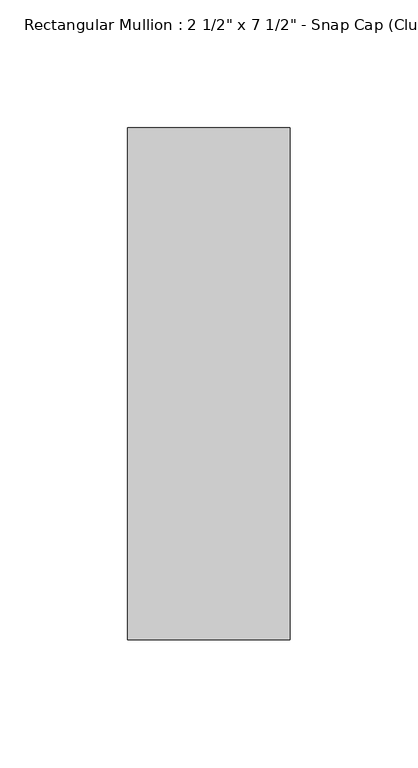
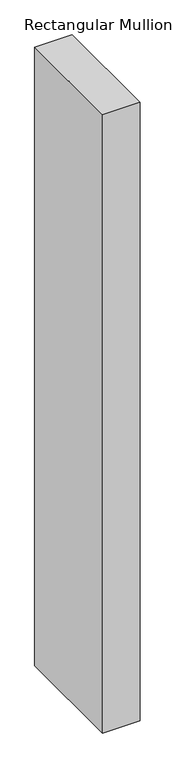
"""IFC4 building model written with IfcOpenShell, lengths in millimetres: member geometry."""

from ifc_helpers import new_model, si_unit, frame, origin, place, context, project, spatial, polyline, outline, extrude, source, transform, mapped, element, save


def member_789bff25(model_context):
    return source(origin(), model_context, "Body", "SweptSolid", [
        extrude(outline(polyline([(31.75, 25.8), (31.75, -174.2), (-31.75, -174.2), (-31.75, 25.8), (31.75, 25.8)])), frame((0.0, 0.0, -1109.5992677), z_axis=(0.0, 0.0, 1.0), x_axis=(1.0, 0.0, 0.0)), (0.0, 0.0, 1.0), 1109.5992677),
    ])


if __name__ == "__main__":
    model = new_model("IFC4")
    model_context = context("Model", 3, world=origin())
    ifc_project = project(units=[si_unit("LENGTHUNIT", "METRE", prefix="MILLI")], contexts=[model_context])
    site = spatial("IfcSite", under=ifc_project)
    building = spatial("IfcBuilding", under=site)
    placement = place(None, origin())
    member_shape = member_789bff25(model_context)
    element("IfcMember", 1, ObjectType="Rectangular Mullion : 2 1/2\" x 7 1/2\" - Snap Cap (Club)", at=placement, inside=building, context=model_context, shape_type="MappedRepresentation", body=[
        mapped(member_shape, transform((0.0, 0.0, 0.0), x_axis=(1.0, 0.0, 0.0), y_axis=(0.0, 1.0, 0.0), z_axis=(0.0, 0.0, 1.0))),
    ])
    save(model, "model.ifc")
